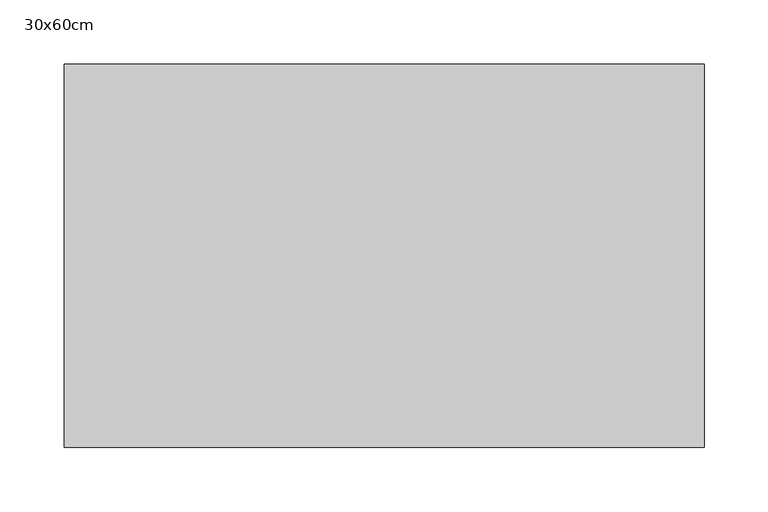
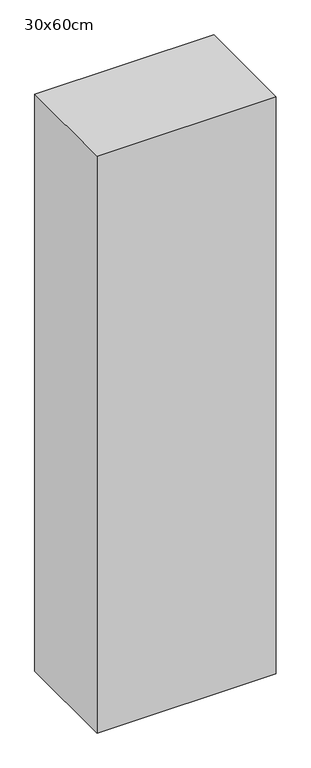
"""IFC4 building model written with IfcOpenShell, lengths in millimetres: proxy geometry, 30x60cm."""

from ifc_helpers import new_model, si_unit, frame, origin, place, context, project, spatial, polyline, outline, extrude, source, transform, mapped, element, save


def proxy_30x60cm_6755cb76(model_context):
    return source(origin(), model_context, "Body", "SweptSolid", [
        extrude(outline(polyline([(500.0, 300.0), (500.0, 0.0), (0.0, 0.0), (0.0, 300.0), (500.0, 300.0)])), frame((0.0, 0.0, 1300.0), z_axis=(0.0, 0.0, 1.0), x_axis=(1.0, 0.0, 0.0)), (0.0, 0.0, 1.0), 1700.0),
    ])


if __name__ == "__main__":
    model = new_model("IFC4")
    model_context = context("Model", 3, world=origin())
    ifc_project = project(units=[si_unit("LENGTHUNIT", "METRE", prefix="MILLI")], contexts=[model_context])
    site = spatial("IfcSite", under=ifc_project)
    building = spatial("IfcBuilding", under=site)
    placement = place(None, origin())
    proxy_30x60cm_shape = proxy_30x60cm_6755cb76(model_context)
    element("IfcBuildingElementProxy", 1, Name="30x60cm", ObjectType="30x60cm", at=placement, inside=building, context=model_context, shape_type="MappedRepresentation", body=[
        mapped(proxy_30x60cm_shape, transform((0.0, 0.0, 0.0), x_axis=(1.0, 0.0, 0.0), y_axis=(0.0, 1.0, 0.0), z_axis=(0.0, 0.0, 1.0))),
    ])
    save(model, "model.ifc")
